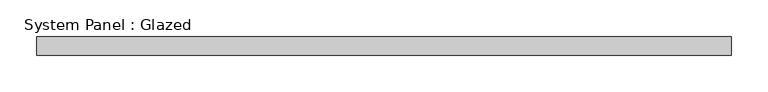
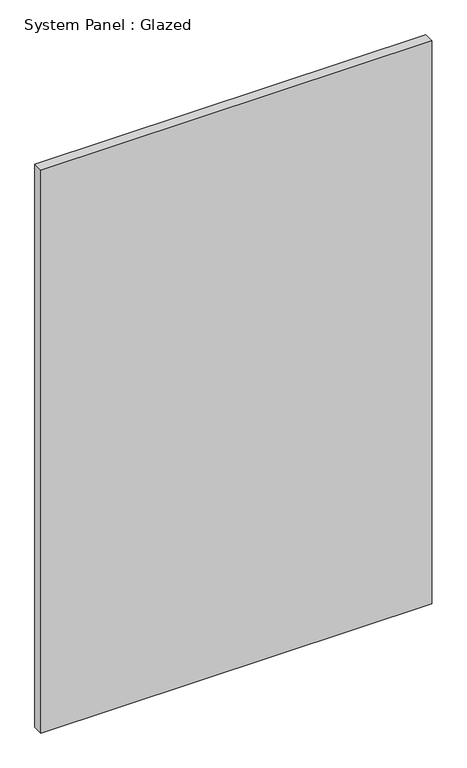
"""IFC4 building model written with IfcOpenShell, lengths in millimetres: plate geometry, System Panel : Glazed."""

from ifc_helpers import new_model, si_unit, origin, origin_with_axes, place, context, project, spatial, polyline, outline, extrude, source, transform, mapped, element, save


def system_panel_glazed_e7daf0e8(model_context):
    return source(origin(), model_context, "Body", "SweptSolid", [
        extrude(outline(polyline([(474.6625, -12.7), (-474.6625, -12.7), (-474.6625, 12.7), (474.6625, 12.7), (474.6625, -12.7)])), origin_with_axes(), (0.0, 0.0, 1.0), 1444.625),
    ])


if __name__ == "__main__":
    model = new_model("IFC4")
    model_context = context("Model", 3, world=origin())
    ifc_project = project(units=[si_unit("LENGTHUNIT", "METRE", prefix="MILLI")], contexts=[model_context])
    site = spatial("IfcSite", under=ifc_project)
    building = spatial("IfcBuilding", under=site)
    placement = place(None, origin())
    system_panel_glazed_shape = system_panel_glazed_e7daf0e8(model_context)
    element("IfcPlate", 1, ObjectType="System Panel : Glazed", at=placement, inside=building, context=model_context, shape_type="MappedRepresentation", body=[
        mapped(system_panel_glazed_shape, transform((0.0, 0.0, 0.0), x_axis=(1.0, 0.0, 0.0), y_axis=(0.0, 1.0, 0.0), z_axis=(0.0, 0.0, 1.0))),
    ])
    save(model, "model.ifc")
